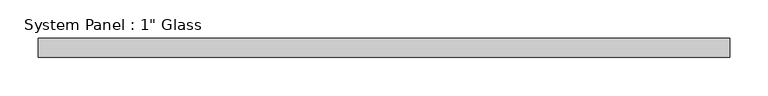
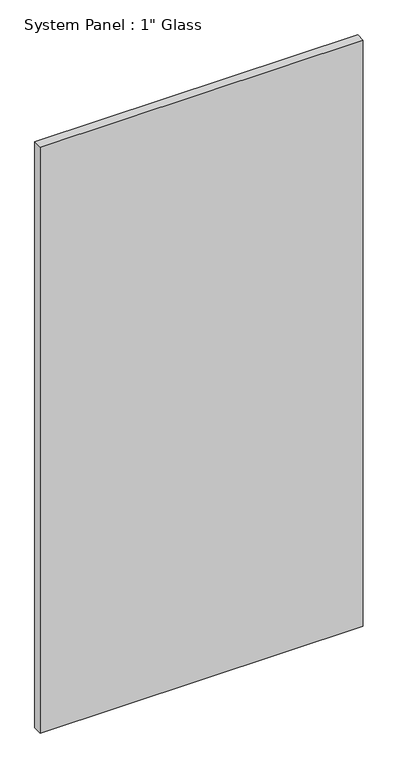
"""IFC4 building model written with IfcOpenShell, lengths in millimetres: plate geometry."""

import ifcopenshell
import ifcopenshell.guid

model = None  # the IFC model being written
_history = None  # IfcOwnerHistory: only IFC2X3 demands one
_inside = {}  # id of a spatial element -> (the spatial element, [elements in it])
_under = {}  # id of a project, library or spatial element -> (it, [spatial elements below it])
_declared = {}  # id of a project -> (the project, [libraries it declares])
_typed = {}  # id of a type object -> (the type object, [elements of that type])
_made_of = {}  # id of a material, layer set ... -> (it, [elements and type objects made of it])


def new_model(schema):
    """Start an empty IFC model of exactly this schema.

    Asked for "IFC4X3", IfcOpenShell would pick the latest addendum, in which some entities
    have other attributes; the version numbers below select the first issue.
    IFC2X3 requires an IfcOwnerHistory on every rooted entity: one is made here for all.
    """
    global model, _history
    if schema == "IFC4X3":
        model = ifcopenshell.file(schema_version=(4, 3, 0, 0))
    else:
        model = ifcopenshell.file(schema=schema)
    _inside.clear()
    _under.clear()
    _declared.clear()
    _typed.clear()
    _made_of.clear()
    _history = None
    if model.schema == "IFC2X3":
        org = make("IfcOrganization", Name="unknown")
        user = make(
            "IfcPersonAndOrganization",
            ThePerson=make("IfcPerson", FamilyName="unknown"),
            TheOrganization=org,
        )
        app = make(
            "IfcApplication",
            ApplicationDeveloper=org,
            Version="unknown",
            ApplicationFullName="unknown",
            ApplicationIdentifier="unknown",
        )
        _history = make(
            "IfcOwnerHistory",
            OwningUser=user,
            OwningApplication=app,
            ChangeAction="ADDED",
            CreationDate=0,
        )
    return model


def make(cls, **values):
    """One entity of the class cls with the attributes given. An attribute that is None is left unset."""
    return model.create_entity(
        cls, **{name: value for name, value in values.items() if value is not None}
    )


def rooted(cls, **values):
    """An entity with a GlobalId (a new one), such as an element, a storey or a relation."""
    return make(cls, GlobalId=ifcopenshell.guid.new(), OwnerHistory=_history, **values)


def si_unit(unit_type, name, prefix=None):
    """IfcSIUnit, for example si_unit("LENGTHUNIT", "METRE", prefix="MILLI")."""
    return make("IfcSIUnit", UnitType=unit_type, Prefix=prefix, Name=name)


def assignment(units):
    """IfcUnitAssignment: the units of a project."""
    return None if units is None else make("IfcUnitAssignment", Units=units)


def point(xyz):
    """IfcCartesianPoint."""
    return None if xyz is None else make("IfcCartesianPoint", Coordinates=xyz)


def direction(xyz):
    """IfcDirection."""
    return None if xyz is None else make("IfcDirection", DirectionRatios=xyz)


def frame(location, z_axis=None, x_axis=None):
    """IfcAxis2Placement3D, a coordinate frame: its origin and axes. An axis left out is left unset."""
    return make(
        "IfcAxis2Placement3D",
        Location=point(location),
        Axis=direction(z_axis),
        RefDirection=direction(x_axis),
    )


def origin():
    """The frame at (0, 0, 0) with its axes left unset."""
    return frame((0.0, 0.0, 0.0))


def origin_with_axes():
    """The frame at (0, 0, 0) with the z axis (0, 0, 1) and the x axis (1, 0, 0) written out."""
    return frame((0.0, 0.0, 0.0), z_axis=(0.0, 0.0, 1.0), x_axis=(1.0, 0.0, 0.0))


def place(relative_to, where):
    """IfcLocalPlacement: puts the frame where relative to a parent placement (None: the world)."""
    return make(
        "IfcLocalPlacement", PlacementRelTo=relative_to, RelativePlacement=where
    )


def context(
    kind, dimensions, precision=None, world=None, true_north=None, identifier=None
):
    """IfcGeometricRepresentationContext, for example the 3D "Model" context."""
    return make(
        "IfcGeometricRepresentationContext",
        ContextIdentifier=identifier,
        ContextType=kind,
        CoordinateSpaceDimension=dimensions,
        Precision=precision,
        WorldCoordinateSystem=world,
        TrueNorth=true_north,
    )


def project(units=None, contexts=None):
    """IfcProject with its units and contexts."""
    return rooted(
        "IfcProject",
        Name="project",
        RepresentationContexts=contexts,
        UnitsInContext=assignment(units),
    )


def spatial(cls, under=None, at=None, **own):
    """A site, building, storey or space (cls), placed at a placement, below another one or the project."""
    s = rooted(cls, ObjectPlacement=at, **own)
    if under is not None:
        _under.setdefault(under.id(), (under, []))[1].append(s)
    return s


def polyline(points):
    """IfcPolyline through the points."""
    return make("IfcPolyline", Points=[point(p) for p in points])


def outline(outer, holes=None, kind="AREA"):
    """IfcArbitraryClosedProfileDef: a profile drawn as a closed curve; with holes, ...WithVoids."""
    if holes is None:
        return make("IfcArbitraryClosedProfileDef", ProfileType=kind, OuterCurve=outer)
    return make(
        "IfcArbitraryProfileDefWithVoids",
        ProfileType=kind,
        OuterCurve=outer,
        InnerCurves=holes,
    )


def extrude(swept, where, along, depth):
    """IfcExtrudedAreaSolid: the profile swept, set in the frame where, extruded along a direction by depth."""
    return make(
        "IfcExtrudedAreaSolid",
        SweptArea=swept,
        Position=where,
        ExtrudedDirection=direction(along),
        Depth=depth,
    )


def shape(context_of_items, identifier, shape_type, items):
    """IfcShapeRepresentation: the items that make up one representation, for example the "Body"."""
    return make(
        "IfcShapeRepresentation",
        ContextOfItems=context_of_items,
        RepresentationIdentifier=identifier,
        RepresentationType=shape_type,
        Items=items,
    )


def source(mapping_origin, context_of_items, identifier, shape_type, items):
    """IfcRepresentationMap: a shape defined once, which mapped items show again and again."""
    return make(
        "IfcRepresentationMap",
        MappingOrigin=mapping_origin,
        MappedRepresentation=shape(context_of_items, identifier, shape_type, items),
    )


def transform(
    local_origin,
    x_axis=None,
    y_axis=None,
    z_axis=None,
    scale=None,
    scale2=None,
    scale3=None,
    uniform=True,
):
    """IfcCartesianTransformationOperator3D, or its non-uniform kind. x_axis, y_axis, z_axis: its Axis1, 2, 3."""
    if uniform:
        return make(
            "IfcCartesianTransformationOperator3D",
            Axis1=direction(x_axis),
            Axis2=direction(y_axis),
            LocalOrigin=point(local_origin),
            Scale=scale,
            Axis3=direction(z_axis),
        )
    return make(
        "IfcCartesianTransformationOperator3DnonUniform",
        Axis1=direction(x_axis),
        Axis2=direction(y_axis),
        LocalOrigin=point(local_origin),
        Scale=scale,
        Axis3=direction(z_axis),
        Scale2=scale2,
        Scale3=scale3,
    )


def mapped(mapping_source, mapping_target):
    """IfcMappedItem: shows the shape of a source again, moved by a transform."""
    return make(
        "IfcMappedItem", MappingSource=mapping_source, MappingTarget=mapping_target
    )


def made_of(thing, what):
    """Note that an element or type object is made of a material, layer set ...; save() writes the relation."""
    if what is not None:
        _made_of.setdefault(what.id(), (what, []))[1].append(thing)
    return thing


def element(
    cls,
    number,
    at=None,
    inside=None,
    cuts=None,
    type_object=None,
    material=None,
    context=None,
    identifier="Body",
    shape_type=None,
    held_by="IfcProductDefinitionShape",
    body=None,
    shapes=None,
    **own,
):
    """One element of the class cls, such as IfcWall. Its Tag is "e" and its number.

    at: its placement. inside: the storey or other place that contains it. cuts: it is an
    opening in that element (IfcRelVoidsElement). A single representation is given by context,
    identifier, shape_type and body (its items); several are given by shapes. held_by: the class
    of the entity that holds the representations. save() writes the other relations.
    """
    e = rooted(cls, Tag="e%d" % number, ObjectPlacement=at, **own)
    if body is not None:
        shapes = [shape(context, identifier, shape_type, body)]
    if shapes is not None:
        e.Representation = make(held_by, Representations=shapes)
    if inside is not None:
        _inside.setdefault(inside.id(), (inside, []))[1].append(e)
    if cuts is not None:
        rooted(
            "IfcRelVoidsElement", RelatingBuildingElement=cuts, RelatedOpeningElement=e
        )
    if type_object is not None:
        _typed.setdefault(type_object.id(), (type_object, []))[1].append(e)
    return made_of(e, material)


def aggregate(whole, parts):
    """IfcRelAggregates: a whole, such as a stair, and the parts it consists of."""
    return rooted("IfcRelAggregates", RelatingObject=whole, RelatedObjects=parts)


def save(model, path):
    """Write the relations noted so far, then the file.

    IfcRelAggregates (storeys below a building ...), IfcRelContainedInSpatialStructure (elements
    in a storey), IfcRelDefinesByType, IfcRelAssociatesMaterial and IfcRelDeclares: one each for
    every whole, place, type object, material and project.
    """
    for whole, parts in _under.values():
        aggregate(whole, parts)
    for where, things in _inside.values():
        rooted(
            "IfcRelContainedInSpatialStructure",
            RelatedElements=things,
            RelatingStructure=where,
        )
    for kind, things in _typed.values():
        rooted("IfcRelDefinesByType", RelatedObjects=things, RelatingType=kind)
    for what, things in _made_of.values():
        rooted("IfcRelAssociatesMaterial", RelatedObjects=things, RelatingMaterial=what)
    for by, libraries in _declared.values():
        rooted("IfcRelDeclares", RelatingContext=by, RelatedDefinitions=libraries)
    model.write(path)


def plate_6c3915cf(model_context):
    return source(origin(), model_context, "Body", "SweptSolid", [
        extrude(outline(polyline([(453.9782684, -12.7), (-453.9782684, -12.7), (-453.9782684, 12.7), (453.9782684, 12.7), (453.9782684, -12.7)])), origin_with_axes(), (0.0, 0.0, 1.0), 1739.9),
    ])


if __name__ == "__main__":
    model = new_model("IFC4")
    model_context = context("Model", 3, world=origin())
    ifc_project = project(units=[si_unit("LENGTHUNIT", "METRE", prefix="MILLI")], contexts=[model_context])
    site = spatial("IfcSite", under=ifc_project)
    building = spatial("IfcBuilding", under=site)
    placement = place(None, origin())
    plate_shape = plate_6c3915cf(model_context)
    element("IfcPlate", 1, ObjectType="System Panel : 1\" Glass", at=placement, inside=building, context=model_context, shape_type="MappedRepresentation", body=[
        mapped(plate_shape, transform((0.0, 0.0, 0.0), x_axis=(1.0, 0.0, 0.0), y_axis=(0.0, 1.0, 0.0), z_axis=(0.0, 0.0, 1.0))),
    ])
    save(model, "model.ifc")
